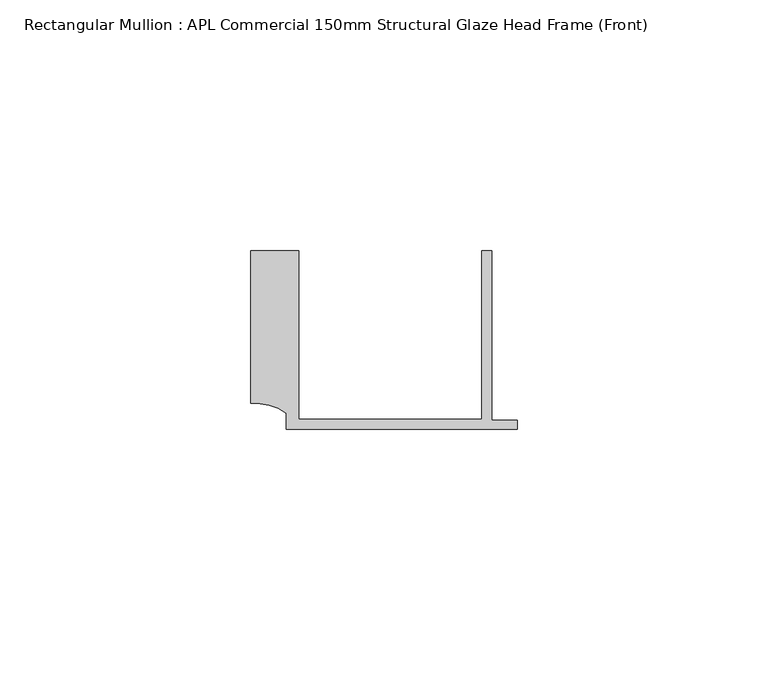
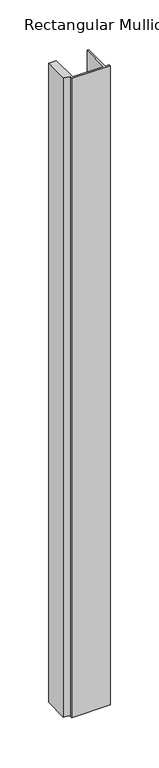
"""IFC4 building model written with IfcOpenShell, lengths in millimetres: member geometry, Rectangular Mullion : APL Commercial 150mm Structural Glaze Head Frame (Front)."""

from ifc_helpers import new_model, si_unit, point, frame, frame_2d, origin, place, context, project, spatial, polyline, circle_curve, trimmed, segment, composite_curve, outline, extrude, source, transform, mapped, element, save


def rectangular_mullion_apl_commercial_150mm_structural_glaze_0d20fb28(model_context):
    return source(origin(), model_context, "Body", "SweptSolid", [
        extrude(outline(composite_curve([segment(polyline([(-52.9999542, 15.0), (-43.5000151, 15.0), (-43.5000151, -18.5002486), (-7.0, -18.5002486), (-7.0, 15.0), (-5.0, 15.0), (-5.0, -18.7002486), (0.0, -18.7002486), (0.0, -20.5002486), (-45.9999994, -20.5002486), (-45.9999994, -17.3126154)]), True, "CONTINUOUS"), segment(trimmed(circle_curve(frame_2d((-52.109817, -25.7982641)), 10.4563907), [point((-45.9999994, -17.3126154))], [point((-52.9999542, -15.3798304))], True, "CARTESIAN"), True, "CONTINUOUS"), segment(polyline([(-52.9999542, -15.3798304), (-52.9999542, 15.0)]), True, "CONTINUOUS")], self_intersect=False)), frame((0.0, 0.0, -804.1423288), z_axis=(0.0, 0.0, 1.0), x_axis=(1.0, 0.0, 0.0)), (0.0, 0.0, 1.0), 804.1423288),
    ])


if __name__ == "__main__":
    model = new_model("IFC4")
    model_context = context("Model", 3, world=origin())
    ifc_project = project(units=[si_unit("LENGTHUNIT", "METRE", prefix="MILLI")], contexts=[model_context])
    site = spatial("IfcSite", under=ifc_project)
    building = spatial("IfcBuilding", under=site)
    placement = place(None, origin())
    rectangular_mullion_apl_commercial_150mm_structural_glaze_shape = rectangular_mullion_apl_commercial_150mm_structural_glaze_0d20fb28(model_context)
    element("IfcMember", 1, ObjectType="Rectangular Mullion : APL Commercial 150mm Structural Glaze Head Frame (Front)", at=placement, inside=building, context=model_context, shape_type="MappedRepresentation", body=[
        mapped(rectangular_mullion_apl_commercial_150mm_structural_glaze_shape, transform((0.0, 0.0, 0.0), x_axis=(1.0, 0.0, 0.0), y_axis=(0.0, 1.0, 0.0), z_axis=(0.0, 0.0, 1.0))),
    ])
    save(model, "model.ifc")
